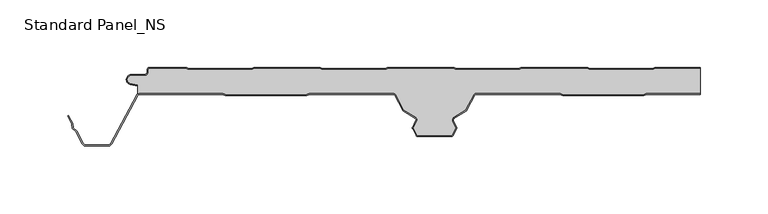
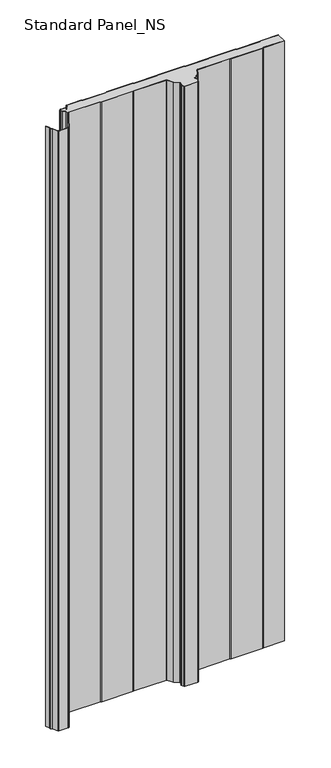
"""IFC4 building model written with IfcOpenShell, lengths in millimetres: proxy geometry, Standard Panel_NS."""

from ifc_helpers import new_model, si_unit, point, frame_2d, origin, origin_with_axes, place, context, project, spatial, polyline, circle_curve, trimmed, segment, composite_curve, outline, extrude, source, transform, mapped, element, save


def standard_panel_ns_1eb450dc(model_context):
    return source(origin(), model_context, "Body", "SweptSolid", [
        extrude(outline(composite_curve([segment(trimmed(circle_curve(frame_2d((-191.3607504, -21.736297)), 2.55), [point((-191.3607504, -19.186297))], [point((-192.7486452, -19.5970804))], True, "CARTESIAN"), True, "CONTINUOUS"), segment(polyline([(-192.7486452, -19.5970804), (-192.7486452, -13.0699171), (-198.1918609, -11.8132517)]), True, "CONTINUOUS"), segment(trimmed(circle_curve(frame_2d((-197.5507504, -9.036297)), 2.85), [point((-198.1918609, -11.8132517))], [point((-197.5507504, -6.186297))], False, "CARTESIAN"), True, "CONTINUOUS"), segment(polyline([(-197.5507504, -6.186297), (-187.7507504, -6.186297)]), True, "CONTINUOUS"), segment(trimmed(circle_curve(frame_2d((-187.7507504, -3.436297)), 2.75), [point((-187.7507504, -6.186297))], [point((-185.0007504, -3.436297))], True, "CARTESIAN"), True, "CONTINUOUS"), segment(polyline([(-185.0007504, -3.436297), (-185.0007504, -2.036297)]), True, "CONTINUOUS"), segment(trimmed(circle_curve(frame_2d((-183.7507504, -2.036297)), 1.25), [point((-185.0007504, -2.036297))], [point((-183.7507504, -0.786297))], False, "CARTESIAN"), True, "CONTINUOUS"), segment(polyline([(-183.7507504, -0.786297), (-156.737455, -0.786297), (-155.0054042, -1.786297), (-108.5814431, -1.786297), (-106.8069416, -0.786297), (-57.737455, -0.786297), (-56.0054042, -1.8), (-9.5407871, -1.8), (-7.8087363, -0.8), (41.262545, -0.8), (42.9945958, -1.8), (89.4185569, -1.8), (91.1930584, -0.8), (140.262545, -0.8), (141.9945958, -1.8), (188.4185569, -1.8), (190.1930584, -0.8), (223.9042607, -0.8), (223.9042607, -19.186297), (184.2574895, -19.186297), (181.8758496, -20.1546867), (122.0845088, -20.1546867), (119.7028683, -19.186297), (57.5653038, -19.186297)]), True, "CONTINUOUS"), segment(trimmed(circle_curve(frame_2d((57.5653038, -20.9860322)), 1.7997352), [point((57.5653038, -19.186297))], [point((55.9762236, -20.1411234))], True, "CARTESIAN"), True, "CONTINUOUS"), segment(polyline([(55.9762236, -20.1411234), (49.8465774, -31.6695862), (40.8799555, -37.3468358)]), True, "CONTINUOUS"), segment(trimmed(circle_curve(frame_2d((41.8428542, -38.8676336)), 1.8), [point((40.8799555, -37.3468358))], [point((40.2338477, -39.6745401))], True, "CARTESIAN"), True, "CONTINUOUS"), segment(polyline([(40.2338477, -39.6745401), (42.8256576, -44.8427209), (39.8425575, -50.4532499), (14.3485893, -50.4532499), (11.3711036, -44.8535484), (13.9681734, -39.6746224)]), True, "CONTINUOUS"), segment(trimmed(circle_curve(frame_2d((12.3591509, -38.8677478)), 1.8), [point((13.9681734, -39.6746224))], [point((13.3220194, -37.3469308))], True, "CARTESIAN"), True, "CONTINUOUS"), segment(polyline([(13.3220194, -37.3469308), (4.3386275, -31.6593134), (-1.7857934, -20.1412302)]), True, "CONTINUOUS"), segment(trimmed(circle_curve(frame_2d((-3.3750906, -20.9862949)), 1.8), [point((-1.7857934, -20.1412302))], [point((-3.3723047, -19.186297))], True, "CARTESIAN"), True, "CONTINUOUS"), segment(polyline([(-3.3723047, -19.186297), (-65.5115715, -19.186297), (-67.8932049, -20.1546867), (-127.6845456, -20.1546867), (-130.0661789, -19.186297), (-191.3607504, -19.186297)]), True, "CONTINUOUS")], self_intersect=False)), origin_with_axes(), (0.0, 0.0, 1.0), 1219.2),
        extrude(outline(composite_curve([segment(polyline([(189.9831604, 0.0), (223.9042607, 0.0), (223.9042607, -0.8), (190.1930584, -0.8), (188.4185569, -1.8), (141.9945958, -1.8), (140.262545, -0.8), (91.1930584, -0.8), (89.4185569, -1.8), (42.9945958, -1.8), (41.262545, -0.8), (-7.8087363, -0.8), (-9.5407871, -1.8), (-56.0054042, -1.8), (-57.737455, -0.786297), (-106.8069416, -0.786297), (-108.5814431, -1.786297), (-155.0054042, -1.786297), (-156.737455, -0.786297), (-183.7507504, -0.786297)]), True, "CONTINUOUS"), segment(trimmed(circle_curve(frame_2d((-183.7507504, -2.036297)), 1.25), [point((-183.7507504, -0.786297))], [point((-185.0007504, -2.036297))], True, "CARTESIAN"), True, "CONTINUOUS"), segment(polyline([(-185.0007504, -2.036297), (-185.0007504, -3.436297)]), True, "CONTINUOUS"), segment(trimmed(circle_curve(frame_2d((-187.7507504, -3.436297)), 2.75), [point((-185.0007504, -3.436297))], [point((-187.7507504, -6.186297))], False, "CARTESIAN"), True, "CONTINUOUS"), segment(polyline([(-187.7507504, -6.186297), (-197.5507504, -6.186297)]), True, "CONTINUOUS"), segment(trimmed(circle_curve(frame_2d((-197.5507504, -9.036297)), 2.85), [point((-197.5507504, -6.186297))], [point((-198.1918609, -11.8132517))], True, "CARTESIAN"), True, "CONTINUOUS"), segment(polyline([(-198.1918609, -11.8132517), (-192.7486452, -13.0699171), (-192.9286061, -13.8494131), (-198.3718217, -12.5927478)]), True, "CONTINUOUS"), segment(trimmed(circle_curve(frame_2d((-197.5507504, -9.036297)), 3.65), [point((-198.3718217, -12.5927478))], [point((-197.5507504, -5.386297))], False, "CARTESIAN"), True, "CONTINUOUS"), segment(polyline([(-197.5507504, -5.386297), (-187.7507504, -5.386297)]), True, "CONTINUOUS"), segment(trimmed(circle_curve(frame_2d((-187.7507504, -3.436297)), 1.95), [point((-187.7507504, -5.386297))], [point((-185.8007504, -3.436297))], True, "CARTESIAN"), True, "CONTINUOUS"), segment(polyline([(-185.8007504, -3.436297), (-185.8007504, -2.036297)]), True, "CONTINUOUS"), segment(trimmed(circle_curve(frame_2d((-183.7507504, -2.036297)), 2.05), [point((-185.8007504, -2.036297))], [point((-183.7507504, 0.013703))], False, "CARTESIAN"), True, "CONTINUOUS"), segment(polyline([(-183.7507504, 0.013703), (-156.5230957, 0.013703), (-154.7910449, -0.986297), (-108.7913411, -0.986297), (-107.0168396, 0.013703), (-57.5230957, 0.013703), (-55.7910449, -1.0), (-9.7551465, -1.0), (-8.0230957, 0.0), (41.4769043, 0.0), (43.2089551, -1.0), (89.2086589, -1.0), (90.9831604, 0.0), (140.4769043, 0.0), (142.2089551, -1.0), (188.2086589, -1.0), (189.9831604, 0.0)]), True, "CONTINUOUS")], self_intersect=False)), origin_with_axes(), (0.0, 0.0, 1.0), 1219.2),
        extrude(outline(composite_curve([segment(trimmed(circle_curve(frame_2d((-191.3607504, -21.75)), 1.75), [point((-191.3607504, -20.0))], [point((-192.9059087, -20.9284248))], True, "CARTESIAN"), True, "CONTINUOUS"), segment(polyline([(-192.9059087, -20.9284248), (-212.0091432, -56.8563836)]), True, "CONTINUOUS"), segment(trimmed(circle_curve(frame_2d((-214.5255439, -55.5183897)), 2.85), [point((-212.0091432, -56.8563836))], [point((-214.5255439, -58.3683897))], False, "CARTESIAN"), True, "CONTINUOUS"), segment(polyline([(-214.5255439, -58.3683897), (-231.2663514, -58.3683897)]), True, "CONTINUOUS"), segment(trimmed(circle_curve(frame_2d((-231.2663514, -55.5183897)), 2.85), [point((-231.2663514, -58.3683897))], [point((-233.782752, -56.8563836))], False, "CARTESIAN"), True, "CONTINUOUS"), segment(polyline([(-233.782752, -56.8563836), (-238.6671014, -47.6702585), (-241.084649, -45.3708693), (-241.6820111, -42.000038), (-244.7505404, -36.2289737), (-244.0441824, -35.8533964), (-240.9163332, -41.7360251), (-240.3428004, -44.9723908), (-238.0216911, -47.1800551), (-233.076394, -56.4808064)]), True, "CONTINUOUS"), segment(trimmed(circle_curve(frame_2d((-231.2663514, -55.5183897)), 2.05), [point((-233.076394, -56.4808064))], [point((-231.2663514, -57.5683897))], True, "CARTESIAN"), True, "CONTINUOUS"), segment(polyline([(-231.2663514, -57.5683897), (-214.5255439, -57.5683897)]), True, "CONTINUOUS"), segment(trimmed(circle_curve(frame_2d((-214.5255439, -55.5183897)), 2.05), [point((-214.5255439, -57.5683897))], [point((-212.7155013, -56.4808064))], True, "CARTESIAN"), True, "CONTINUOUS"), segment(polyline([(-212.7155013, -56.4808064), (-193.6122667, -20.5528475)]), True, "CONTINUOUS"), segment(trimmed(circle_curve(frame_2d((-191.3607504, -21.75)), 2.55), [point((-193.6122667, -20.5528475))], [point((-191.3607504, -19.2))], False, "CARTESIAN"), True, "CONTINUOUS"), segment(polyline([(-191.3607504, -19.2), (-130.0661789, -19.2), (-127.6845456, -20.1683897), (-67.8932049, -20.1683897), (-65.5115715, -19.2), (-3.3723047, -19.2)]), True, "CONTINUOUS"), segment(trimmed(circle_curve(frame_2d((-3.3750906, -20.9999978)), 1.8), [point((-3.3723047, -19.2))], [point((-1.7857934, -20.1549332))], False, "CARTESIAN"), True, "CONTINUOUS"), segment(polyline([(-1.7857934, -20.1549332), (4.3386275, -31.6730163), (13.3220194, -37.3606338)]), True, "CONTINUOUS"), segment(trimmed(circle_curve(frame_2d((12.3591509, -38.8814507)), 1.8), [point((13.3220194, -37.3606338))], [point((13.9681734, -39.6883253))], False, "CARTESIAN"), True, "CONTINUOUS"), segment(polyline([(13.9681734, -39.6883253), (11.3711036, -44.8672514), (14.3485893, -50.4669529), (39.8425575, -50.4669529), (42.8256576, -44.8564238), (40.2338477, -39.6882431)]), True, "CONTINUOUS"), segment(trimmed(circle_curve(frame_2d((41.8428542, -38.8813366)), 1.8), [point((40.2338477, -39.6882431))], [point((40.8799555, -37.3605387))], False, "CARTESIAN"), True, "CONTINUOUS"), segment(polyline([(40.8799555, -37.3605387), (49.8465774, -31.6832892), (55.9762236, -20.1548264)]), True, "CONTINUOUS"), segment(trimmed(circle_curve(frame_2d((57.5653038, -20.9997352)), 1.7997352), [point((55.9762236, -20.1548264))], [point((57.5653038, -19.2))], False, "CARTESIAN"), True, "CONTINUOUS"), segment(polyline([(57.5653038, -19.2), (119.7028683, -19.2), (122.0845088, -20.1683897), (181.8758496, -20.1683897), (184.2574895, -19.2), (223.9042607, -19.2), (223.9042607, -20.0), (184.4139138, -20.0), (182.032274, -20.9683897), (121.9280844, -20.9683897), (119.546444, -19.9999999), (57.5653038, -19.9999999)]), True, "CONTINUOUS"), segment(trimmed(circle_curve(frame_2d((57.5653038, -20.9997352)), 0.9997353), [point((57.5653038, -19.9999999))], [point((56.6825853, -20.5303966))], True, "CARTESIAN"), True, "CONTINUOUS"), segment(polyline([(56.6825853, -20.5303966), (50.4534972, -32.2458871), (41.3079104, -38.0364489)]), True, "CONTINUOUS"), segment(trimmed(circle_curve(frame_2d((41.8428542, -38.8813366)), 1.0), [point((41.3079104, -38.0364489))], [point((40.9489617, -39.329618))], True, "CARTESIAN"), True, "CONTINUOUS"), segment(polyline([(40.9489617, -39.329618), (43.4944639, -44.4054592)]), True, "CONTINUOUS"), segment(trimmed(circle_curve(frame_2d((42.6005714, -44.8537406)), 1.0), [point((43.4944639, -44.4054592))], [point((43.4835237, -45.3232034))], False, "CARTESIAN"), True, "CONTINUOUS"), segment(polyline([(43.4835237, -45.3232034), (40.7463788, -50.4711471)]), True, "CONTINUOUS"), segment(trimmed(circle_curve(frame_2d((39.4219504, -49.7669529)), 1.5), [point((40.7463788, -50.4711471))], [point((39.4219504, -51.2669529))], False, "CARTESIAN"), True, "CONTINUOUS"), segment(polyline([(39.4219504, -51.2669529), (14.7964212, -51.2669529)]), True, "CONTINUOUS"), segment(trimmed(circle_curve(frame_2d((14.7693172, -49.7671978)), 1.5), [point((14.7964212, -51.2669529))], [point((13.4449029, -50.4714183))], False, "CARTESIAN"), True, "CONTINUOUS"), segment(polyline([(13.4449029, -50.4714183), (10.7132468, -45.3340441)]), True, "CONTINUOUS"), segment(trimmed(circle_curve(frame_2d((11.5961897, -44.8645637)), 1.0), [point((10.7132468, -45.3340441))], [point((10.7022883, -44.4163001))], False, "CARTESIAN"), True, "CONTINUOUS"), segment(polyline([(10.7022883, -44.4163001), (13.2530523, -39.3297144)]), True, "CONTINUOUS"), segment(trimmed(circle_curve(frame_2d((12.3591509, -38.8814507)), 1.0), [point((13.2530523, -39.3297144))], [point((12.8940779, -38.0365524))], True, "CARTESIAN"), True, "CONTINUOUS"), segment(polyline([(12.8940779, -38.0365524), (3.7317189, -32.2356263), (-2.4921477, -20.5305175)]), True, "CONTINUOUS"), segment(trimmed(circle_curve(frame_2d((-3.3750906, -20.9999978)), 1.0), [point((-2.4921477, -20.5305175))], [point((-3.3730141, -20.0))], True, "CARTESIAN"), True, "CONTINUOUS"), segment(polyline([(-3.3730141, -20.0), (-65.3551468, -20.0), (-67.7367801, -20.9683897), (-127.8409703, -20.9683897), (-130.2226037, -20.0), (-191.3607504, -20.0)]), True, "CONTINUOUS")], self_intersect=False)), origin_with_axes(), (0.0, 0.0, 1.0), 1219.2),
    ])


if __name__ == "__main__":
    model = new_model("IFC4")
    model_context = context("Model", 3, world=origin())
    ifc_project = project(units=[si_unit("LENGTHUNIT", "METRE", prefix="MILLI")], contexts=[model_context])
    site = spatial("IfcSite", under=ifc_project)
    building = spatial("IfcBuilding", under=site)
    placement = place(None, origin())
    standard_panel_ns_shape = standard_panel_ns_1eb450dc(model_context)
    element("IfcBuildingElementProxy", 1, Name="Standard Panel_NS", ObjectType="Standard Panel_NS", at=placement, inside=building, context=model_context, shape_type="MappedRepresentation", body=[
        mapped(standard_panel_ns_shape, transform((0.0, 0.0, 0.0), x_axis=(1.0, 0.0, 0.0), y_axis=(0.0, 1.0, 0.0), z_axis=(0.0, 0.0, 1.0))),
    ])
    save(model, "model.ifc")
